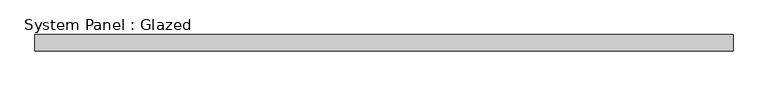
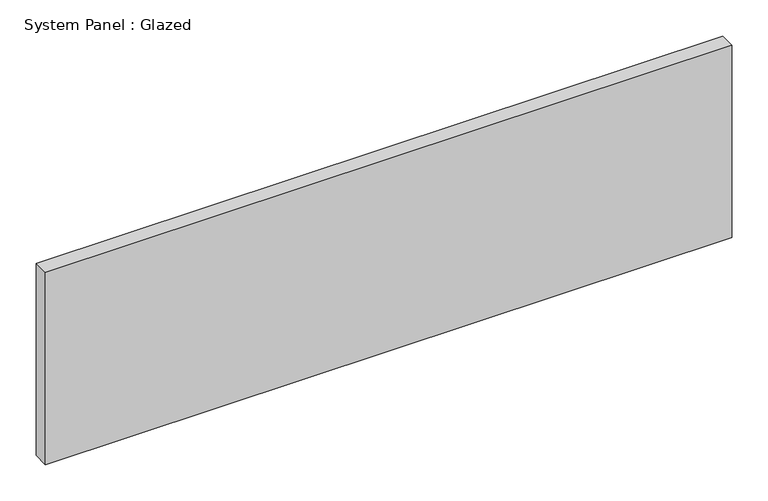
"""IFC4 building model written with IfcOpenShell, lengths in millimetres: plate geometry, System Panel : Glazed."""

from ifc_helpers import new_model, si_unit, origin, origin_with_axes, place, context, project, spatial, polyline, outline, extrude, source, transform, mapped, element, save


def system_panel_glazed_564b4f1a(model_context):
    return source(origin(), model_context, "Body", "SweptSolid", [
        extrude(outline(polyline([(546.1, -44.45), (-546.1, -44.45), (-546.1, -19.05), (546.1, -19.05), (546.1, -44.45)])), origin_with_axes(), (0.0, 0.0, 1.0), 323.85),
    ])


if __name__ == "__main__":
    model = new_model("IFC4")
    model_context = context("Model", 3, world=origin())
    ifc_project = project(units=[si_unit("LENGTHUNIT", "METRE", prefix="MILLI")], contexts=[model_context])
    site = spatial("IfcSite", under=ifc_project)
    building = spatial("IfcBuilding", under=site)
    placement = place(None, origin())
    system_panel_glazed_shape = system_panel_glazed_564b4f1a(model_context)
    element("IfcPlate", 1, ObjectType="System Panel : Glazed", at=placement, inside=building, context=model_context, shape_type="MappedRepresentation", body=[
        mapped(system_panel_glazed_shape, transform((0.0, 0.0, 0.0), x_axis=(1.0, 0.0, 0.0), y_axis=(0.0, 1.0, 0.0), z_axis=(0.0, 0.0, 1.0))),
    ])
    save(model, "model.ifc")
